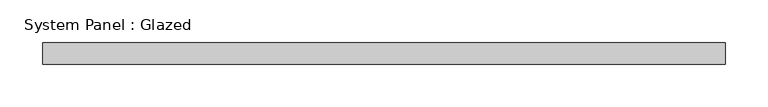
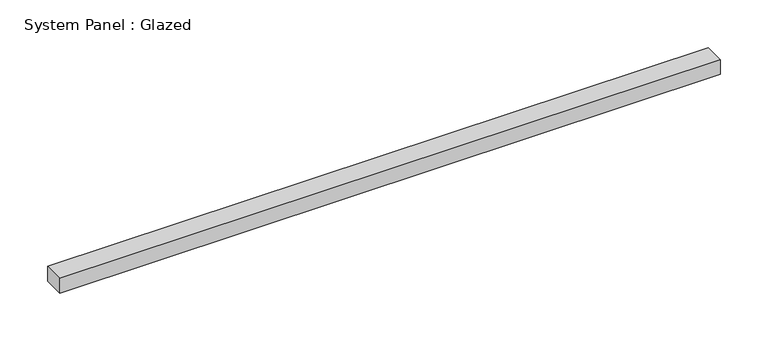
"""IFC4 building model written with IfcOpenShell, lengths in millimetres: plate geometry, System Panel : Glazed."""

import ifcopenshell
import ifcopenshell.guid

model = None  # the IFC model being written
_history = None  # IfcOwnerHistory: only IFC2X3 demands one
_inside = {}  # id of a spatial element -> (the spatial element, [elements in it])
_under = {}  # id of a project, library or spatial element -> (it, [spatial elements below it])
_declared = {}  # id of a project -> (the project, [libraries it declares])
_typed = {}  # id of a type object -> (the type object, [elements of that type])
_made_of = {}  # id of a material, layer set ... -> (it, [elements and type objects made of it])


def new_model(schema):
    """Start an empty IFC model of exactly this schema.

    Asked for "IFC4X3", IfcOpenShell would pick the latest addendum, in which some entities
    have other attributes; the version numbers below select the first issue.
    IFC2X3 requires an IfcOwnerHistory on every rooted entity: one is made here for all.
    """
    global model, _history
    if schema == "IFC4X3":
        model = ifcopenshell.file(schema_version=(4, 3, 0, 0))
    else:
        model = ifcopenshell.file(schema=schema)
    _inside.clear()
    _under.clear()
    _declared.clear()
    _typed.clear()
    _made_of.clear()
    _history = None
    if model.schema == "IFC2X3":
        org = make("IfcOrganization", Name="unknown")
        user = make(
            "IfcPersonAndOrganization",
            ThePerson=make("IfcPerson", FamilyName="unknown"),
            TheOrganization=org,
        )
        app = make(
            "IfcApplication",
            ApplicationDeveloper=org,
            Version="unknown",
            ApplicationFullName="unknown",
            ApplicationIdentifier="unknown",
        )
        _history = make(
            "IfcOwnerHistory",
            OwningUser=user,
            OwningApplication=app,
            ChangeAction="ADDED",
            CreationDate=0,
        )
    return model


def make(cls, **values):
    """One entity of the class cls with the attributes given. An attribute that is None is left unset."""
    return model.create_entity(
        cls, **{name: value for name, value in values.items() if value is not None}
    )


def rooted(cls, **values):
    """An entity with a GlobalId (a new one), such as an element, a storey or a relation."""
    return make(cls, GlobalId=ifcopenshell.guid.new(), OwnerHistory=_history, **values)


def si_unit(unit_type, name, prefix=None):
    """IfcSIUnit, for example si_unit("LENGTHUNIT", "METRE", prefix="MILLI")."""
    return make("IfcSIUnit", UnitType=unit_type, Prefix=prefix, Name=name)


def assignment(units):
    """IfcUnitAssignment: the units of a project."""
    return None if units is None else make("IfcUnitAssignment", Units=units)


def point(xyz):
    """IfcCartesianPoint."""
    return None if xyz is None else make("IfcCartesianPoint", Coordinates=xyz)


def direction(xyz):
    """IfcDirection."""
    return None if xyz is None else make("IfcDirection", DirectionRatios=xyz)


def frame(location, z_axis=None, x_axis=None):
    """IfcAxis2Placement3D, a coordinate frame: its origin and axes. An axis left out is left unset."""
    return make(
        "IfcAxis2Placement3D",
        Location=point(location),
        Axis=direction(z_axis),
        RefDirection=direction(x_axis),
    )


def origin():
    """The frame at (0, 0, 0) with its axes left unset."""
    return frame((0.0, 0.0, 0.0))


def origin_with_axes():
    """The frame at (0, 0, 0) with the z axis (0, 0, 1) and the x axis (1, 0, 0) written out."""
    return frame((0.0, 0.0, 0.0), z_axis=(0.0, 0.0, 1.0), x_axis=(1.0, 0.0, 0.0))


def place(relative_to, where):
    """IfcLocalPlacement: puts the frame where relative to a parent placement (None: the world)."""
    return make(
        "IfcLocalPlacement", PlacementRelTo=relative_to, RelativePlacement=where
    )


def context(
    kind, dimensions, precision=None, world=None, true_north=None, identifier=None
):
    """IfcGeometricRepresentationContext, for example the 3D "Model" context."""
    return make(
        "IfcGeometricRepresentationContext",
        ContextIdentifier=identifier,
        ContextType=kind,
        CoordinateSpaceDimension=dimensions,
        Precision=precision,
        WorldCoordinateSystem=world,
        TrueNorth=true_north,
    )


def project(units=None, contexts=None):
    """IfcProject with its units and contexts."""
    return rooted(
        "IfcProject",
        Name="project",
        RepresentationContexts=contexts,
        UnitsInContext=assignment(units),
    )


def spatial(cls, under=None, at=None, **own):
    """A site, building, storey or space (cls), placed at a placement, below another one or the project."""
    s = rooted(cls, ObjectPlacement=at, **own)
    if under is not None:
        _under.setdefault(under.id(), (under, []))[1].append(s)
    return s


def polyline(points):
    """IfcPolyline through the points."""
    return make("IfcPolyline", Points=[point(p) for p in points])


def outline(outer, holes=None, kind="AREA"):
    """IfcArbitraryClosedProfileDef: a profile drawn as a closed curve; with holes, ...WithVoids."""
    if holes is None:
        return make("IfcArbitraryClosedProfileDef", ProfileType=kind, OuterCurve=outer)
    return make(
        "IfcArbitraryProfileDefWithVoids",
        ProfileType=kind,
        OuterCurve=outer,
        InnerCurves=holes,
    )


def extrude(swept, where, along, depth):
    """IfcExtrudedAreaSolid: the profile swept, set in the frame where, extruded along a direction by depth."""
    return make(
        "IfcExtrudedAreaSolid",
        SweptArea=swept,
        Position=where,
        ExtrudedDirection=direction(along),
        Depth=depth,
    )


def shape(context_of_items, identifier, shape_type, items):
    """IfcShapeRepresentation: the items that make up one representation, for example the "Body"."""
    return make(
        "IfcShapeRepresentation",
        ContextOfItems=context_of_items,
        RepresentationIdentifier=identifier,
        RepresentationType=shape_type,
        Items=items,
    )


def source(mapping_origin, context_of_items, identifier, shape_type, items):
    """IfcRepresentationMap: a shape defined once, which mapped items show again and again."""
    return make(
        "IfcRepresentationMap",
        MappingOrigin=mapping_origin,
        MappedRepresentation=shape(context_of_items, identifier, shape_type, items),
    )


def transform(
    local_origin,
    x_axis=None,
    y_axis=None,
    z_axis=None,
    scale=None,
    scale2=None,
    scale3=None,
    uniform=True,
):
    """IfcCartesianTransformationOperator3D, or its non-uniform kind. x_axis, y_axis, z_axis: its Axis1, 2, 3."""
    if uniform:
        return make(
            "IfcCartesianTransformationOperator3D",
            Axis1=direction(x_axis),
            Axis2=direction(y_axis),
            LocalOrigin=point(local_origin),
            Scale=scale,
            Axis3=direction(z_axis),
        )
    return make(
        "IfcCartesianTransformationOperator3DnonUniform",
        Axis1=direction(x_axis),
        Axis2=direction(y_axis),
        LocalOrigin=point(local_origin),
        Scale=scale,
        Axis3=direction(z_axis),
        Scale2=scale2,
        Scale3=scale3,
    )


def mapped(mapping_source, mapping_target):
    """IfcMappedItem: shows the shape of a source again, moved by a transform."""
    return make(
        "IfcMappedItem", MappingSource=mapping_source, MappingTarget=mapping_target
    )


def made_of(thing, what):
    """Note that an element or type object is made of a material, layer set ...; save() writes the relation."""
    if what is not None:
        _made_of.setdefault(what.id(), (what, []))[1].append(thing)
    return thing


def element(
    cls,
    number,
    at=None,
    inside=None,
    cuts=None,
    type_object=None,
    material=None,
    context=None,
    identifier="Body",
    shape_type=None,
    held_by="IfcProductDefinitionShape",
    body=None,
    shapes=None,
    **own,
):
    """One element of the class cls, such as IfcWall. Its Tag is "e" and its number.

    at: its placement. inside: the storey or other place that contains it. cuts: it is an
    opening in that element (IfcRelVoidsElement). A single representation is given by context,
    identifier, shape_type and body (its items); several are given by shapes. held_by: the class
    of the entity that holds the representations. save() writes the other relations.
    """
    e = rooted(cls, Tag="e%d" % number, ObjectPlacement=at, **own)
    if body is not None:
        shapes = [shape(context, identifier, shape_type, body)]
    if shapes is not None:
        e.Representation = make(held_by, Representations=shapes)
    if inside is not None:
        _inside.setdefault(inside.id(), (inside, []))[1].append(e)
    if cuts is not None:
        rooted(
            "IfcRelVoidsElement", RelatingBuildingElement=cuts, RelatedOpeningElement=e
        )
    if type_object is not None:
        _typed.setdefault(type_object.id(), (type_object, []))[1].append(e)
    return made_of(e, material)


def aggregate(whole, parts):
    """IfcRelAggregates: a whole, such as a stair, and the parts it consists of."""
    return rooted("IfcRelAggregates", RelatingObject=whole, RelatedObjects=parts)


def save(model, path):
    """Write the relations noted so far, then the file.

    IfcRelAggregates (storeys below a building ...), IfcRelContainedInSpatialStructure (elements
    in a storey), IfcRelDefinesByType, IfcRelAssociatesMaterial and IfcRelDeclares: one each for
    every whole, place, type object, material and project.
    """
    for whole, parts in _under.values():
        aggregate(whole, parts)
    for where, things in _inside.values():
        rooted(
            "IfcRelContainedInSpatialStructure",
            RelatedElements=things,
            RelatingStructure=where,
        )
    for kind, things in _typed.values():
        rooted("IfcRelDefinesByType", RelatedObjects=things, RelatingType=kind)
    for what, things in _made_of.values():
        rooted("IfcRelAssociatesMaterial", RelatedObjects=things, RelatingMaterial=what)
    for by, libraries in _declared.values():
        rooted("IfcRelDeclares", RelatingContext=by, RelatedDefinitions=libraries)
    model.write(path)


def system_panel_glazed_448a2dbb(model_context):
    return source(origin(), model_context, "Body", "SweptSolid", [
        extrude(outline(polyline([(400.7628891, 19.05), (-400.7628891, 19.05), (-400.7628891, 44.45), (400.7628891, 44.45), (400.7628891, 19.05)])), origin_with_axes(), (0.0, 0.0, 1.0), 18.9305957),
    ])


if __name__ == "__main__":
    model = new_model("IFC4")
    model_context = context("Model", 3, world=origin())
    ifc_project = project(units=[si_unit("LENGTHUNIT", "METRE", prefix="MILLI")], contexts=[model_context])
    site = spatial("IfcSite", under=ifc_project)
    building = spatial("IfcBuilding", under=site)
    placement = place(None, origin())
    system_panel_glazed_shape = system_panel_glazed_448a2dbb(model_context)
    element("IfcPlate", 1, ObjectType="System Panel : Glazed", at=placement, inside=building, context=model_context, shape_type="MappedRepresentation", body=[
        mapped(system_panel_glazed_shape, transform((0.0, 0.0, 0.0), x_axis=(1.0, 0.0, 0.0), y_axis=(0.0, 1.0, 0.0), z_axis=(0.0, 0.0, 1.0))),
    ])
    save(model, "model.ifc")
